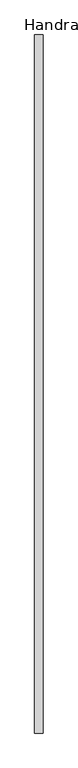
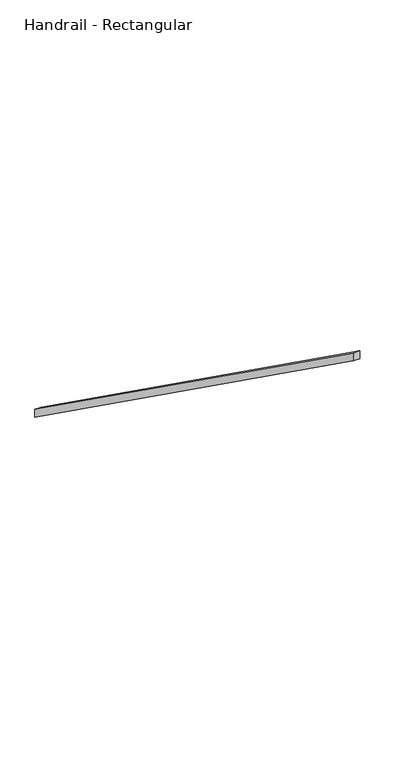
"""IFC4 building model written with IfcOpenShell, lengths in millimetres: railing geometry, Handrail - Rectangular."""

from ifc_helpers import new_model, si_unit, frame, origin, place, context, project, spatial, polyline, outline, extrude, source, transform, mapped, element, save


def handrail_rectangular_387c7ac4(model_context):
    return source(origin(), model_context, "Body", "SweptSolid", [
        extrude(outline(polyline([(3954.1935985, 1741.7142857), (3954.1935985, 1679.2859823), (-313.0064015, 4727.2859823), (-313.0064015, 4789.7142857), (3954.1935985, 1741.7142857)])), frame((-222.7872809, 0.0, 0.0), z_axis=(1.0, 0.0, 0.0), x_axis=(0.0, 1.0, 0.0)), (0.0, 0.0, 1.0), 50.8),
    ])


if __name__ == "__main__":
    model = new_model("IFC4")
    model_context = context("Model", 3, world=origin())
    ifc_project = project(units=[si_unit("LENGTHUNIT", "METRE", prefix="MILLI")], contexts=[model_context])
    site = spatial("IfcSite", under=ifc_project)
    building = spatial("IfcBuilding", under=site)
    placement = place(None, origin())
    handrail_rectangular_shape = handrail_rectangular_387c7ac4(model_context)
    element("IfcRailing", 1, ObjectType="Handrail - Rectangular", at=placement, inside=building, context=model_context, shape_type="MappedRepresentation", body=[
        mapped(handrail_rectangular_shape, transform((0.0, 0.0, 0.0), x_axis=(1.0, 0.0, 0.0), y_axis=(0.0, 1.0, 0.0), z_axis=(0.0, 0.0, 1.0))),
    ])
    save(model, "model.ifc")
